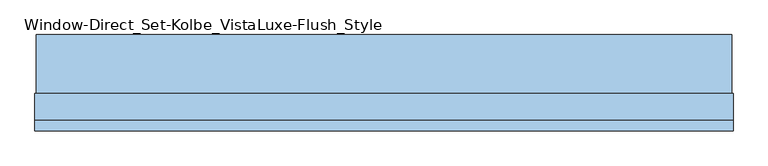
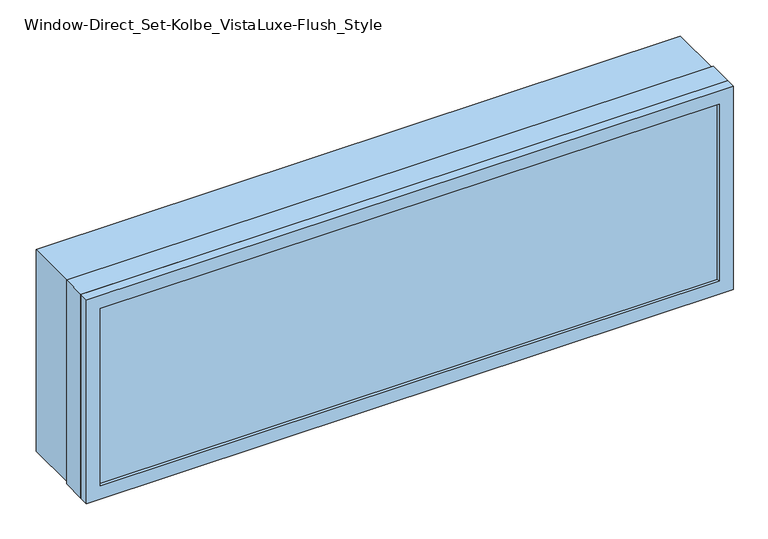
"""IFC4 building model written with IfcOpenShell, lengths in millimetres: window geometry, Window-Direct_Set-Kolbe_VistaLuxe-Flush_Style."""

from ifc_helpers import new_model, si_unit, frame, origin, place, context, project, spatial, polyline, outline, extrude, faceted_brep, source, transform, mapped, element, save


def window_direct_set_kolbe_vistaluxe_flush_style_30b7202a(model_context):
    return source(origin(), model_context, "Body", "SolidModel", [
        extrude(outline(polyline([(1520.825, 905.0496242), (1520.825, -917.4003758), (917.575, -917.4003758), (917.575, 905.0496242), (1520.825, 905.0496242)]), holes=[polyline([(936.625, 885.9996242), (936.625, -898.3503758), (1501.775, -898.3503758), (1501.775, 885.9996242), (936.625, 885.9996242)])]), frame((0.0, -42.0497, 0.0), z_axis=(0.0, 1.0, 0.0), x_axis=(0.0, 0.0, 1.0)), (0.0, 0.0, 1.0), 154.7622),
        extrude(outline(polyline([(936.625, 885.9996242), (1501.775, 885.9996242), (1501.775, -898.3503758), (936.625, -898.3503758), (936.625, 885.9996242)]), holes=[polyline([(954.0875, -880.8878758), (1484.3125, -880.8878758), (1484.3125, 868.5371242), (954.0875, 868.5371242), (954.0875, -880.8878758)])]), frame((0.0, -108.68025, 0.0), z_axis=(0.0, 1.0, 0.0), x_axis=(0.0, 0.0, 1.0)), (0.0, 0.0, 1.0), 69.8246),
        faceted_brep([(908.2246242, -139.6365, 1524.0), (908.2246242, -112.7125, 1524.0), (-920.5753758, -112.7125, 1524.0), (-920.5753758, -139.6365, 1524.0), (868.5373659, -130.90525, 1484.3127418), (868.5373659, -139.6365, 1484.3127418), (-880.8881176, -139.6365, 1484.3127418), (-880.8881176, -130.90525, 1484.3127418), (885.9996242, -112.7125, 1501.775), (885.9996242, -130.90525, 1501.775), (-898.3503758, -130.90525, 1501.775), (-898.3503758, -112.7125, 1501.775), (-920.5753758, -112.7125, 914.4), (-920.5753758, -139.6365, 914.4), (-880.8881176, -139.6365, 954.0872582), (-880.8881176, -130.90525, 954.0872582), (-898.3503758, -130.90525, 936.625), (-898.3503758, -112.7125, 936.625), (908.2246242, -112.7125, 914.4), (908.2246242, -139.6365, 914.4), (868.5373659, -139.6365, 954.0872582), (868.5373659, -130.90525, 954.0872582), (885.9996242, -130.90525, 936.625), (885.9996242, -112.7125, 936.625)], [[[0, 1, 2, 3]], [[4, 5, 6, 7]], [[8, 9, 10, 11]], [[3, 2, 12, 13]], [[7, 6, 14, 15]], [[11, 10, 16, 17]], [[13, 12, 18, 19]], [[15, 14, 20, 21]], [[17, 16, 22, 23]], [[19, 18, 1, 0]], [[3, 13, 19, 0], [5, 20, 14, 6]], [[21, 20, 5, 4]], [[9, 22, 16, 10], [7, 15, 21, 4]], [[23, 22, 9, 8]], [[1, 18, 12, 2], [11, 17, 23, 8]]]),
        extrude(outline(polyline([(914.4, 908.2246242), (1524.0, 908.2246242), (1524.0, -920.5753758), (914.4, -920.5753758), (914.4, 908.2246242)]), holes=[polyline([(936.625, -898.3503758), (1501.775, -898.3503758), (1501.775, 885.9996242), (936.625, 885.9996242), (936.625, -898.3503758)])]), frame((0.0, -112.7125, 0.0), z_axis=(0.0, 1.0, 0.0), x_axis=(0.0, 0.0, 1.0)), (0.0, 0.0, 1.0), 70.6628),
        extrude(outline(polyline([(883.6183742, -111.85525), (-895.9691258, -111.85525), (-895.9691258, -108.68025), (883.6183742, -108.68025), (883.6183742, -111.85525)])), frame((0.0, 0.0, 946.15), z_axis=(0.0, 0.0, 1.0), x_axis=(1.0, 0.0, 0.0)), (0.0, 0.0, 1.0), 546.1),
        extrude(outline(polyline([(883.6183742, -127.73025), (883.6183742, -130.90525), (-895.9691258, -130.90525), (-895.9691258, -127.73025), (883.6183742, -127.73025)])), frame((0.0, 0.0, 946.15), z_axis=(0.0, 0.0, 1.0), x_axis=(1.0, 0.0, 0.0)), (0.0, 0.0, 1.0), 546.1),
    ])


if __name__ == "__main__":
    model = new_model("IFC4")
    model_context = context("Model", 3, world=origin())
    ifc_project = project(units=[si_unit("LENGTHUNIT", "METRE", prefix="MILLI")], contexts=[model_context])
    site = spatial("IfcSite", under=ifc_project)
    building = spatial("IfcBuilding", under=site)
    placement = place(None, origin())
    window_direct_set_kolbe_vistaluxe_flush_style_shape = window_direct_set_kolbe_vistaluxe_flush_style_30b7202a(model_context)
    element("IfcWindow", 1, ObjectType="Window-Direct_Set-Kolbe_VistaLuxe-Flush_Style", at=placement, inside=building, context=model_context, shape_type="MappedRepresentation", body=[
        mapped(window_direct_set_kolbe_vistaluxe_flush_style_shape, transform((0.0, 0.0, 0.0), x_axis=(1.0, 0.0, 0.0), y_axis=(0.0, 1.0, 0.0), z_axis=(0.0, 0.0, 1.0))),
    ])
    save(model, "model.ifc")
